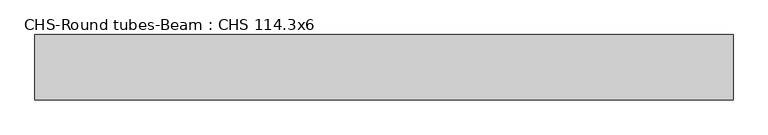
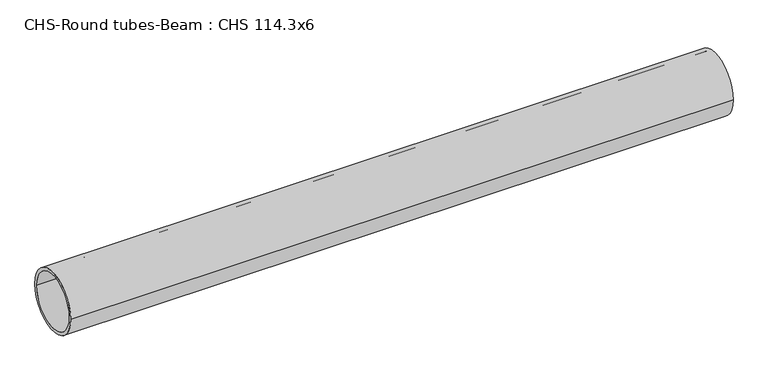
"""IFC4 building model written with IfcOpenShell, lengths in millimetres: beam geometry, CHS-Round tubes-Beam : CHS 114.3x6."""

from ifc_helpers import new_model, si_unit, point, frame, origin, origin_2d, place, context, project, spatial, circle_curve, trimmed, segment, composite_curve, outline, extrude, source, transform, mapped, element, save


def chs_round_tubes_beam_chs_114_3x6_7c8a0a3a(model_context):
    return source(origin(), model_context, "Body", "SweptSolid", [
        extrude(outline(composite_curve([segment(trimmed(circle_curve(origin_2d(), 57.15), [point((57.15, 0.0))], [point((-57.15, 0.0))], False, "CARTESIAN"), True, "CONTINUOUS"), segment(trimmed(circle_curve(origin_2d(), 57.15), [point((-57.15, 0.0))], [point((57.15, 0.0))], False, "CARTESIAN"), True, "CONTINUOUS")], self_intersect=False), holes=[composite_curve([segment(trimmed(circle_curve(origin_2d(), 51.15), [point((51.15, 0.0))], [point((-51.15, 0.0))], True, "CARTESIAN"), True, "CONTINUOUS"), segment(trimmed(circle_curve(origin_2d(), 51.15), [point((-51.15, 0.0))], [point((51.15, 0.0))], True, "CARTESIAN"), True, "CONTINUOUS")], self_intersect=False)]), frame((-603.5185482, 0.0, 0.0), z_axis=(1.0, 0.0, 0.0), x_axis=(0.0, 1.0, 0.0)), (0.0, 0.0, 1.0), 1219.1080094),
    ])


if __name__ == "__main__":
    model = new_model("IFC4")
    model_context = context("Model", 3, world=origin())
    ifc_project = project(units=[si_unit("LENGTHUNIT", "METRE", prefix="MILLI")], contexts=[model_context])
    site = spatial("IfcSite", under=ifc_project)
    building = spatial("IfcBuilding", under=site)
    placement = place(None, origin())
    chs_round_tubes_beam_chs_114_3x6_shape = chs_round_tubes_beam_chs_114_3x6_7c8a0a3a(model_context)
    element("IfcBeam", 1, ObjectType="CHS-Round tubes-Beam : CHS 114.3x6", at=placement, inside=building, context=model_context, shape_type="MappedRepresentation", body=[
        mapped(chs_round_tubes_beam_chs_114_3x6_shape, transform((0.0, 0.0, 0.0), x_axis=(1.0, 0.0, 0.0), y_axis=(0.0, 1.0, 0.0), z_axis=(0.0, 0.0, 1.0))),
    ])
    save(model, "model.ifc")
